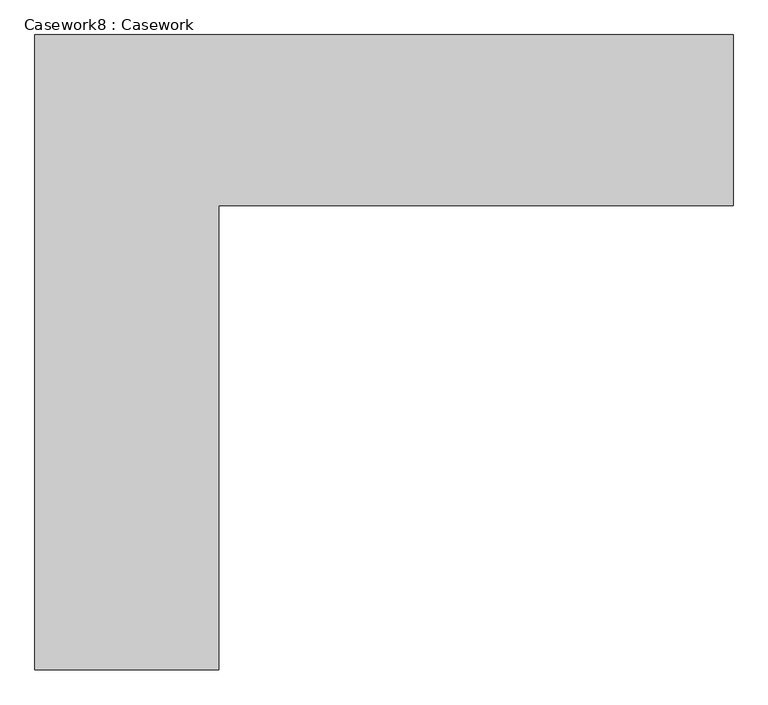
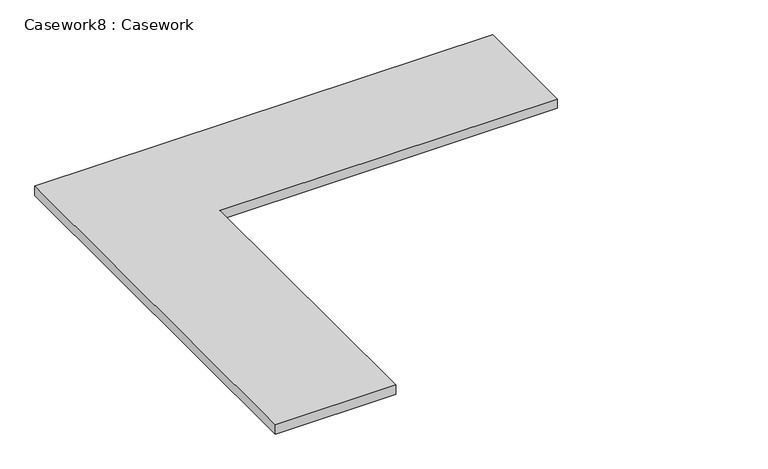
"""IFC4 building model written with IfcOpenShell, lengths in millimetres: furniture geometry, Casework8 : Casework."""

from ifc_helpers import new_model, si_unit, frame, origin, place, context, project, spatial, polyline, outline, extrude, source, transform, mapped, element, save


def casework8_casework_99ea251a(model_context):
    return source(origin(), model_context, "Body", "SweptSolid", [
        extrude(outline(polyline([(103253.184399, -31713.9564602), (103253.184399, -32298.1564602), (101493.6176298, -32298.1564602), (101493.6176298, -33886.4581647), (100865.465984, -33886.4581647), (100865.465984, -31713.9564602), (103253.184399, -31713.9564602)])), frame((0.0, 0.0, 812.8), z_axis=(0.0, 0.0, 1.0), x_axis=(1.0, 0.0, 0.0)), (0.0, 0.0, 1.0), 50.8),
    ])


if __name__ == "__main__":
    model = new_model("IFC4")
    model_context = context("Model", 3, world=origin())
    ifc_project = project(units=[si_unit("LENGTHUNIT", "METRE", prefix="MILLI")], contexts=[model_context])
    site = spatial("IfcSite", under=ifc_project)
    building = spatial("IfcBuilding", under=site)
    placement = place(None, origin())
    casework8_casework_shape = casework8_casework_99ea251a(model_context)
    element("IfcFurniture", 1, ObjectType="Casework8 : Casework", at=placement, inside=building, context=model_context, shape_type="MappedRepresentation", body=[
        mapped(casework8_casework_shape, transform((0.0, 0.0, 0.0), x_axis=(1.0, 0.0, 0.0), y_axis=(0.0, 1.0, 0.0), z_axis=(0.0, 0.0, 1.0))),
    ])
    save(model, "model.ifc")
